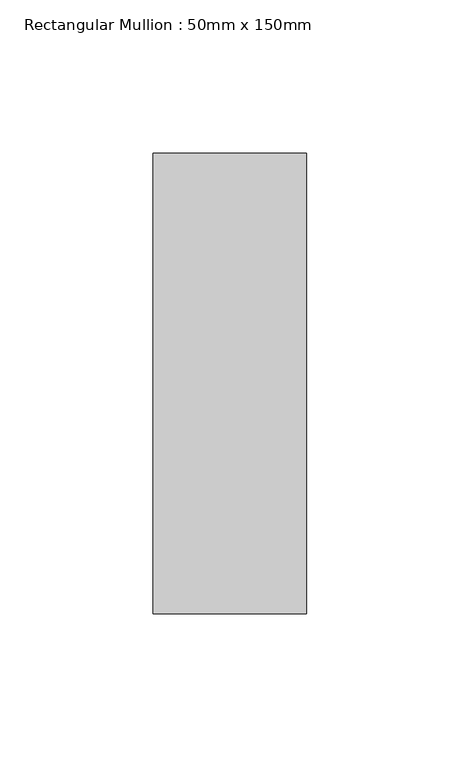
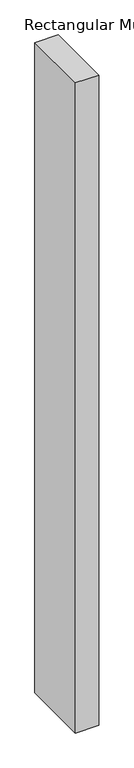
"""IFC4 building model written with IfcOpenShell, lengths in millimetres: member geometry, Rectangular Mullion : 50mm x 150mm."""

from ifc_helpers import new_model, si_unit, frame, origin, place, context, project, spatial, polyline, outline, extrude, source, transform, mapped, element, save


def rectangular_mullion_50mm_x_150mm_d1cec1e2(model_context):
    return source(origin(), model_context, "Body", "SweptSolid", [
        extrude(outline(polyline([(0.0, 75.0), (0.0, -75.0), (-50.0, -75.0), (-50.0, 75.0), (0.0, 75.0)])), frame((0.0, 0.0, -1469.9999999), z_axis=(0.0, 0.0, 1.0), x_axis=(1.0, 0.0, 0.0)), (0.0, 0.0, 1.0), 1469.9999999),
    ])


if __name__ == "__main__":
    model = new_model("IFC4")
    model_context = context("Model", 3, world=origin())
    ifc_project = project(units=[si_unit("LENGTHUNIT", "METRE", prefix="MILLI")], contexts=[model_context])
    site = spatial("IfcSite", under=ifc_project)
    building = spatial("IfcBuilding", under=site)
    placement = place(None, origin())
    rectangular_mullion_50mm_x_150mm_shape = rectangular_mullion_50mm_x_150mm_d1cec1e2(model_context)
    element("IfcMember", 1, ObjectType="Rectangular Mullion : 50mm x 150mm", at=placement, inside=building, context=model_context, shape_type="MappedRepresentation", body=[
        mapped(rectangular_mullion_50mm_x_150mm_shape, transform((0.0, 0.0, 0.0), x_axis=(1.0, 0.0, 0.0), y_axis=(0.0, 1.0, 0.0), z_axis=(0.0, 0.0, 1.0))),
    ])
    save(model, "model.ifc")
